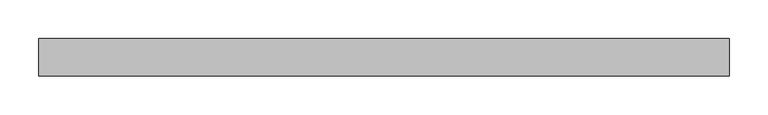
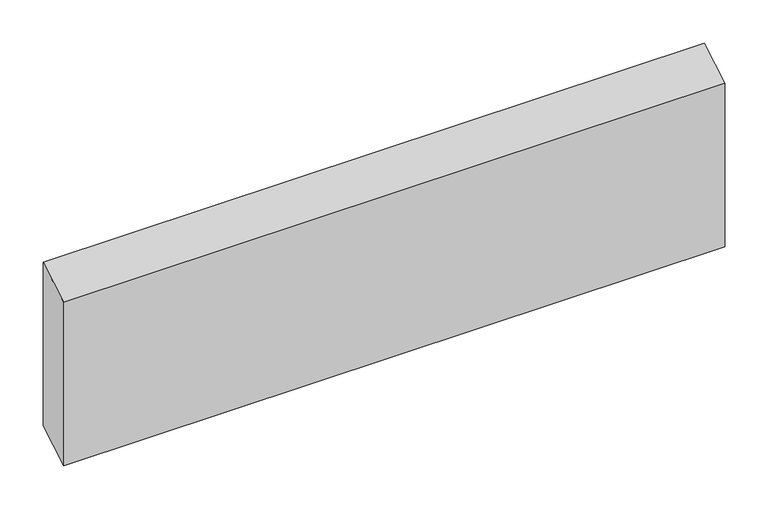
"""IFC4 building model written with IfcOpenShell, lengths in millimetres: beam geometry."""

import ifcopenshell
import ifcopenshell.guid

model = None  # the IFC model being written
_history = None  # IfcOwnerHistory: only IFC2X3 demands one
_inside = {}  # id of a spatial element -> (the spatial element, [elements in it])
_under = {}  # id of a project, library or spatial element -> (it, [spatial elements below it])
_declared = {}  # id of a project -> (the project, [libraries it declares])
_typed = {}  # id of a type object -> (the type object, [elements of that type])
_made_of = {}  # id of a material, layer set ... -> (it, [elements and type objects made of it])


def new_model(schema):
    """Start an empty IFC model of exactly this schema.

    Asked for "IFC4X3", IfcOpenShell would pick the latest addendum, in which some entities
    have other attributes; the version numbers below select the first issue.
    IFC2X3 requires an IfcOwnerHistory on every rooted entity: one is made here for all.
    """
    global model, _history
    if schema == "IFC4X3":
        model = ifcopenshell.file(schema_version=(4, 3, 0, 0))
    else:
        model = ifcopenshell.file(schema=schema)
    _inside.clear()
    _under.clear()
    _declared.clear()
    _typed.clear()
    _made_of.clear()
    _history = None
    if model.schema == "IFC2X3":
        org = make("IfcOrganization", Name="unknown")
        user = make(
            "IfcPersonAndOrganization",
            ThePerson=make("IfcPerson", FamilyName="unknown"),
            TheOrganization=org,
        )
        app = make(
            "IfcApplication",
            ApplicationDeveloper=org,
            Version="unknown",
            ApplicationFullName="unknown",
            ApplicationIdentifier="unknown",
        )
        _history = make(
            "IfcOwnerHistory",
            OwningUser=user,
            OwningApplication=app,
            ChangeAction="ADDED",
            CreationDate=0,
        )
    return model


def make(cls, **values):
    """One entity of the class cls with the attributes given. An attribute that is None is left unset."""
    return model.create_entity(
        cls, **{name: value for name, value in values.items() if value is not None}
    )


def rooted(cls, **values):
    """An entity with a GlobalId (a new one), such as an element, a storey or a relation."""
    return make(cls, GlobalId=ifcopenshell.guid.new(), OwnerHistory=_history, **values)


def si_unit(unit_type, name, prefix=None):
    """IfcSIUnit, for example si_unit("LENGTHUNIT", "METRE", prefix="MILLI")."""
    return make("IfcSIUnit", UnitType=unit_type, Prefix=prefix, Name=name)


def assignment(units):
    """IfcUnitAssignment: the units of a project."""
    return None if units is None else make("IfcUnitAssignment", Units=units)


def point(xyz):
    """IfcCartesianPoint."""
    return None if xyz is None else make("IfcCartesianPoint", Coordinates=xyz)


def direction(xyz):
    """IfcDirection."""
    return None if xyz is None else make("IfcDirection", DirectionRatios=xyz)


def frame(location, z_axis=None, x_axis=None):
    """IfcAxis2Placement3D, a coordinate frame: its origin and axes. An axis left out is left unset."""
    return make(
        "IfcAxis2Placement3D",
        Location=point(location),
        Axis=direction(z_axis),
        RefDirection=direction(x_axis),
    )


def origin():
    """The frame at (0, 0, 0) with its axes left unset."""
    return frame((0.0, 0.0, 0.0))


def place(relative_to, where):
    """IfcLocalPlacement: puts the frame where relative to a parent placement (None: the world)."""
    return make(
        "IfcLocalPlacement", PlacementRelTo=relative_to, RelativePlacement=where
    )


def context(
    kind, dimensions, precision=None, world=None, true_north=None, identifier=None
):
    """IfcGeometricRepresentationContext, for example the 3D "Model" context."""
    return make(
        "IfcGeometricRepresentationContext",
        ContextIdentifier=identifier,
        ContextType=kind,
        CoordinateSpaceDimension=dimensions,
        Precision=precision,
        WorldCoordinateSystem=world,
        TrueNorth=true_north,
    )


def project(units=None, contexts=None):
    """IfcProject with its units and contexts."""
    return rooted(
        "IfcProject",
        Name="project",
        RepresentationContexts=contexts,
        UnitsInContext=assignment(units),
    )


def spatial(cls, under=None, at=None, **own):
    """A site, building, storey or space (cls), placed at a placement, below another one or the project."""
    s = rooted(cls, ObjectPlacement=at, **own)
    if under is not None:
        _under.setdefault(under.id(), (under, []))[1].append(s)
    return s


def polyline(points):
    """IfcPolyline through the points."""
    return make("IfcPolyline", Points=[point(p) for p in points])


def outline(outer, holes=None, kind="AREA"):
    """IfcArbitraryClosedProfileDef: a profile drawn as a closed curve; with holes, ...WithVoids."""
    if holes is None:
        return make("IfcArbitraryClosedProfileDef", ProfileType=kind, OuterCurve=outer)
    return make(
        "IfcArbitraryProfileDefWithVoids",
        ProfileType=kind,
        OuterCurve=outer,
        InnerCurves=holes,
    )


def extrude(swept, where, along, depth):
    """IfcExtrudedAreaSolid: the profile swept, set in the frame where, extruded along a direction by depth."""
    return make(
        "IfcExtrudedAreaSolid",
        SweptArea=swept,
        Position=where,
        ExtrudedDirection=direction(along),
        Depth=depth,
    )


def shape(context_of_items, identifier, shape_type, items):
    """IfcShapeRepresentation: the items that make up one representation, for example the "Body"."""
    return make(
        "IfcShapeRepresentation",
        ContextOfItems=context_of_items,
        RepresentationIdentifier=identifier,
        RepresentationType=shape_type,
        Items=items,
    )


def source(mapping_origin, context_of_items, identifier, shape_type, items):
    """IfcRepresentationMap: a shape defined once, which mapped items show again and again."""
    return make(
        "IfcRepresentationMap",
        MappingOrigin=mapping_origin,
        MappedRepresentation=shape(context_of_items, identifier, shape_type, items),
    )


def transform(
    local_origin,
    x_axis=None,
    y_axis=None,
    z_axis=None,
    scale=None,
    scale2=None,
    scale3=None,
    uniform=True,
):
    """IfcCartesianTransformationOperator3D, or its non-uniform kind. x_axis, y_axis, z_axis: its Axis1, 2, 3."""
    if uniform:
        return make(
            "IfcCartesianTransformationOperator3D",
            Axis1=direction(x_axis),
            Axis2=direction(y_axis),
            LocalOrigin=point(local_origin),
            Scale=scale,
            Axis3=direction(z_axis),
        )
    return make(
        "IfcCartesianTransformationOperator3DnonUniform",
        Axis1=direction(x_axis),
        Axis2=direction(y_axis),
        LocalOrigin=point(local_origin),
        Scale=scale,
        Axis3=direction(z_axis),
        Scale2=scale2,
        Scale3=scale3,
    )


def mapped(mapping_source, mapping_target):
    """IfcMappedItem: shows the shape of a source again, moved by a transform."""
    return make(
        "IfcMappedItem", MappingSource=mapping_source, MappingTarget=mapping_target
    )


def made_of(thing, what):
    """Note that an element or type object is made of a material, layer set ...; save() writes the relation."""
    if what is not None:
        _made_of.setdefault(what.id(), (what, []))[1].append(thing)
    return thing


def element(
    cls,
    number,
    at=None,
    inside=None,
    cuts=None,
    type_object=None,
    material=None,
    context=None,
    identifier="Body",
    shape_type=None,
    held_by="IfcProductDefinitionShape",
    body=None,
    shapes=None,
    **own,
):
    """One element of the class cls, such as IfcWall. Its Tag is "e" and its number.

    at: its placement. inside: the storey or other place that contains it. cuts: it is an
    opening in that element (IfcRelVoidsElement). A single representation is given by context,
    identifier, shape_type and body (its items); several are given by shapes. held_by: the class
    of the entity that holds the representations. save() writes the other relations.
    """
    e = rooted(cls, Tag="e%d" % number, ObjectPlacement=at, **own)
    if body is not None:
        shapes = [shape(context, identifier, shape_type, body)]
    if shapes is not None:
        e.Representation = make(held_by, Representations=shapes)
    if inside is not None:
        _inside.setdefault(inside.id(), (inside, []))[1].append(e)
    if cuts is not None:
        rooted(
            "IfcRelVoidsElement", RelatingBuildingElement=cuts, RelatedOpeningElement=e
        )
    if type_object is not None:
        _typed.setdefault(type_object.id(), (type_object, []))[1].append(e)
    return made_of(e, material)


def aggregate(whole, parts):
    """IfcRelAggregates: a whole, such as a stair, and the parts it consists of."""
    return rooted("IfcRelAggregates", RelatingObject=whole, RelatedObjects=parts)


def save(model, path):
    """Write the relations noted so far, then the file.

    IfcRelAggregates (storeys below a building ...), IfcRelContainedInSpatialStructure (elements
    in a storey), IfcRelDefinesByType, IfcRelAssociatesMaterial and IfcRelDeclares: one each for
    every whole, place, type object, material and project.
    """
    for whole, parts in _under.values():
        aggregate(whole, parts)
    for where, things in _inside.values():
        rooted(
            "IfcRelContainedInSpatialStructure",
            RelatedElements=things,
            RelatingStructure=where,
        )
    for kind, things in _typed.values():
        rooted("IfcRelDefinesByType", RelatedObjects=things, RelatingType=kind)
    for what, things in _made_of.values():
        rooted("IfcRelAssociatesMaterial", RelatedObjects=things, RelatingMaterial=what)
    for by, libraries in _declared.values():
        rooted("IfcRelDeclares", RelatingContext=by, RelatedDefinitions=libraries)
    model.write(path)


def beam_fc8338b1(model_context):
    return source(origin(), model_context, "Body", "SweptSolid", [
        extrude(outline(polyline([(24.0, 129.7703666), (24.0, -101.7703666), (-24.0, -129.7703666), (-24.0, 101.7703666), (24.0, 129.7703666)])), frame((-442.7794373, 0.0, 0.0), z_axis=(1.0, 0.0, 0.0), x_axis=(0.0, 1.0, 0.0)), (0.0, 0.0, 1.0), 885.5588745),
    ])


if __name__ == "__main__":
    model = new_model("IFC4")
    model_context = context("Model", 3, world=origin())
    ifc_project = project(units=[si_unit("LENGTHUNIT", "METRE", prefix="MILLI")], contexts=[model_context])
    site = spatial("IfcSite", under=ifc_project)
    building = spatial("IfcBuilding", under=site)
    placement = place(None, origin())
    beam_shape = beam_fc8338b1(model_context)
    element("IfcBeam", 1, at=placement, inside=building, context=model_context, shape_type="MappedRepresentation", body=[
        mapped(beam_shape, transform((0.0, 0.0, 0.0), x_axis=(1.0, 0.0, 0.0), y_axis=(0.0, 1.0, 0.0), z_axis=(0.0, 0.0, 1.0))),
    ])
    save(model, "model.ifc")
